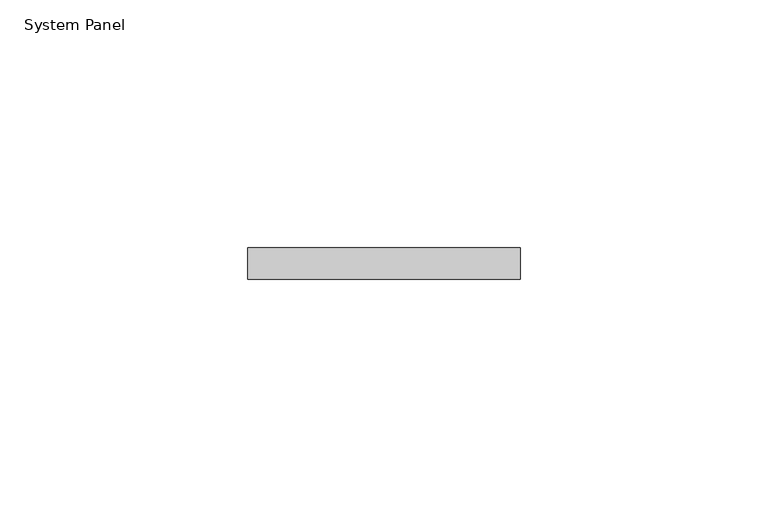
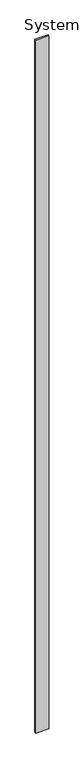
"""IFC4 building model written with IfcOpenShell, lengths in millimetres: plate geometry, System Panel."""

from ifc_helpers import new_model, si_unit, origin, origin_with_axes, place, context, project, spatial, polyline, outline, extrude, source, transform, mapped, element, save


def system_panel_d8892525(model_context):
    return source(origin(), model_context, "Body", "SweptSolid", [
        extrude(outline(polyline([(27.4778966, 0.0), (-27.4778966, 0.0), (-27.4778966, 6.35), (27.4778966, 6.35), (27.4778966, 0.0)])), origin_with_axes(), (0.0, 0.0, 1.0), 3048.0),
    ])


if __name__ == "__main__":
    model = new_model("IFC4")
    model_context = context("Model", 3, world=origin())
    ifc_project = project(units=[si_unit("LENGTHUNIT", "METRE", prefix="MILLI")], contexts=[model_context])
    site = spatial("IfcSite", under=ifc_project)
    building = spatial("IfcBuilding", under=site)
    placement = place(None, origin())
    system_panel_shape = system_panel_d8892525(model_context)
    element("IfcPlate", 1, ObjectType="System Panel", at=placement, inside=building, context=model_context, shape_type="MappedRepresentation", body=[
        mapped(system_panel_shape, transform((0.0, 0.0, 0.0), x_axis=(1.0, 0.0, 0.0), y_axis=(0.0, 1.0, 0.0), z_axis=(0.0, 0.0, 1.0))),
    ])
    save(model, "model.ifc")
